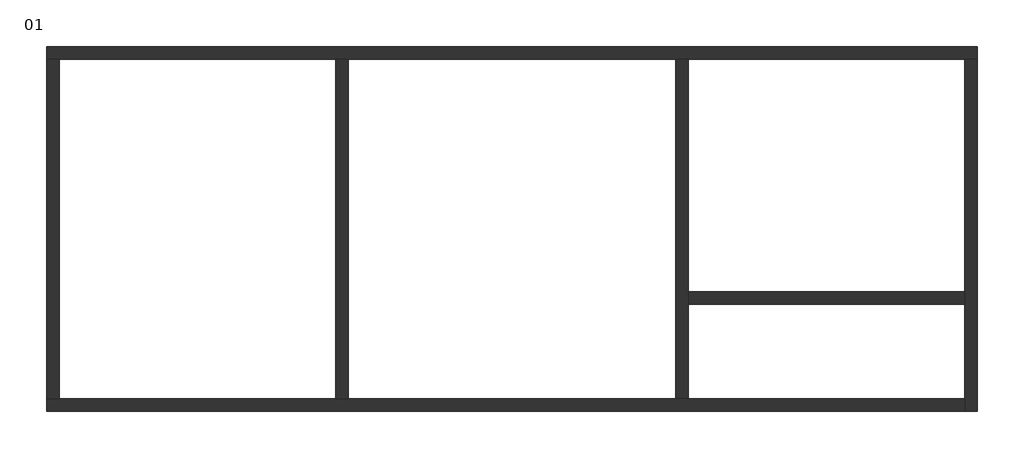
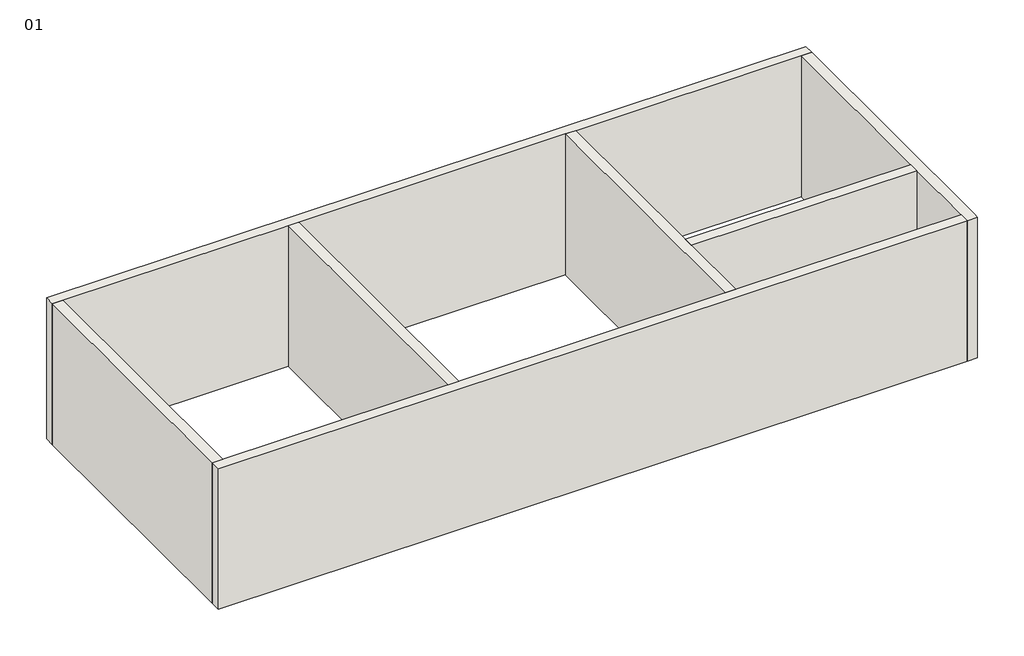
# One storey: 7 walls.
"""IFC4 building model written with IfcOpenShell, lengths in millimetres."""

from ifc_helpers import new_model, si_unit, frame, origin, place, context, project, spatial, polyline, outline, extrude, faceted_brep, element, save

model = new_model("IFC4")

# Units and contexts
model_context = context("Model", 3, world=origin())
ifc_project = project(units=[si_unit("LENGTHUNIT", "METRE", prefix="MILLI")], contexts=[model_context])

# Site, building, storey
site = spatial("IfcSite", under=ifc_project)
building = spatial("IfcBuilding", under=site)
storey = spatial("IfcBuildingStorey", under=building, Name="01", Elevation=2900.0)

# Walls
placement = place(None, origin())
element("IfcWall", 1, at=placement, inside=storey, context=model_context, shape_type="Brep", body=[
    faceted_brep([(5481.9743567, 17581.1656697, 2900.0), (5681.9743567, 17581.1656697, 2900.0), (10081.9743567, 17581.1656697, 2900.0), (10281.9743567, 17581.1656697, 2900.0), (15481.9743567, 17581.1656697, 2900.0), (15681.9743567, 17581.1656697, 2900.0), (20081.9743567, 17581.1656697, 2900.0), (20281.9743567, 17581.1656697, 2900.0), (20281.9743567, 17581.1656697, 5800.0), (20081.9743567, 17581.1656697, 5800.0), (15681.9743567, 17581.1656697, 5800.0), (15481.9743567, 17581.1656697, 5800.0), (10281.9743567, 17581.1656697, 5800.0), (10081.9743567, 17581.1656697, 5800.0), (5681.9743567, 17581.1656697, 5800.0), (5481.9743567, 17581.1656697, 5800.0), (5481.9743567, 17781.1656697, 2900.0), (5481.9743567, 17781.1656697, 5800.0), (20281.9743567, 17781.1656697, 5800.0), (20281.9743567, 17781.1656697, 2900.0)], [[[0, 1, 2, 3, 4, 5, 6, 7, 8, 9, 10, 11, 12, 13, 14, 15]], [[16, 17, 18, 19]], [[7, 6, 5, 4, 3, 2, 1, 0, 16, 19]], [[15, 14, 13, 12, 11, 10, 9, 8, 18, 17]], [[8, 7, 19, 18]], [[0, 15, 17, 16]]]),
])
element("IfcWall", 2, at=placement, inside=storey, context=model_context, shape_type="Brep", body=[
    faceted_brep([(20081.9743567, 17581.1656697, 2900.0), (20081.9743567, 13881.1656697, 2900.0), (20081.9743567, 13681.1656697, 2900.0), (20081.9743567, 12181.1656697, 2900.0), (20081.9743567, 11981.1656697, 2900.0), (20081.9743567, 11981.1656697, 5800.0), (20081.9743567, 12080.1656697, 5800.0), (20081.9743567, 12181.1656697, 5800.0), (20081.9743567, 13681.1656697, 5800.0), (20081.9743567, 13881.1656697, 5800.0), (20081.9743567, 17581.1656697, 5800.0), (20281.9743567, 17581.1656697, 2900.0), (20281.9743567, 17581.1656697, 5800.0), (20281.9743567, 12080.1656697, 5800.0), (20281.9743567, 11981.1656697, 5800.0), (20281.9743567, 11981.1656697, 2900.0)], [[[0, 1, 2, 3, 4, 5, 6, 7, 8, 9, 10]], [[11, 12, 13, 14, 15]], [[4, 3, 2, 1, 0, 11, 15]], [[10, 9, 8, 7, 6, 5, 14, 13, 12]], [[0, 10, 12, 11]], [[5, 4, 15, 14]]]),
])
element("IfcWall", 3, at=placement, inside=storey, context=model_context, shape_type="Brep", body=[
    faceted_brep([(20081.9743567, 12181.1656697, 2900.0), (15681.9743567, 12181.1656697, 2900.0), (15481.9743567, 12181.1656697, 2900.0), (10281.9743567, 12181.1656697, 2900.0), (10081.9743567, 12181.1656697, 2900.0), (5681.9743567, 12181.1656697, 2900.0), (5481.9743567, 12181.1656697, 2900.0), (5481.9743567, 12181.1656697, 5800.0), (5681.9743567, 12181.1656697, 5800.0), (10081.9743567, 12181.1656697, 5800.0), (10281.9743567, 12181.1656697, 5800.0), (15481.9743567, 12181.1656697, 5800.0), (15681.9743567, 12181.1656697, 5800.0), (20081.9743567, 12181.1656697, 5800.0), (20081.9743567, 11981.1656697, 2900.0), (20081.9743567, 11981.1656697, 5800.0), (5481.9743567, 11981.1656697, 5800.0), (5481.9743567, 11981.1656697, 2900.0), (5481.9743567, 12082.1656697, 5800.0), (5481.9743567, 12080.1656697, 5800.0), (20081.9743567, 12080.1656697, 5800.0), (20081.9743567, 12082.1656697, 5800.0)], [[[0, 1, 2, 3, 4, 5, 6, 7, 8, 9, 10, 11, 12, 13]], [[14, 15, 16, 17]], [[6, 5, 4, 3, 2, 1, 0, 14, 17]], [[13, 12, 11, 10, 9, 8, 7, 18, 19, 16, 15, 20, 21]], [[0, 13, 21, 20, 15, 14]], [[7, 6, 17, 16, 19, 18]]]),
])
element("IfcWall", 4, at=placement, inside=storey, context=model_context, shape_type="SweptSolid", body=[
    extrude(outline(polyline([(5681.9743567, 17581.1656697), (5681.9743567, 12181.1656697), (5481.9743567, 12181.1656697), (5481.9743567, 17581.1656697), (5681.9743567, 17581.1656697)])), frame((0.0, 0.0, 2900.0), z_axis=(0.0, 0.0, 1.0), x_axis=(1.0, 0.0, 0.0)), (0.0, 0.0, 1.0), 2900.0),
])
element("IfcWall", 5, at=placement, inside=storey, context=model_context, shape_type="SweptSolid", body=[
    extrude(outline(polyline([(10081.9743567, 12181.1656697), (10081.9743567, 17581.1656697), (10281.9743567, 17581.1656697), (10281.9743567, 12181.1656697), (10081.9743567, 12181.1656697)])), frame((0.0, 0.0, 2900.0), z_axis=(0.0, 0.0, 1.0), x_axis=(1.0, 0.0, 0.0)), (0.0, 0.0, 1.0), 2900.0),
])
element("IfcWall", 6, at=placement, inside=storey, context=model_context, shape_type="Brep", body=[
    faceted_brep([(15481.9743567, 17581.1656697, 2900.0), (15481.9743567, 12181.1656697, 2900.0), (15481.9743567, 12181.1656697, 5800.0), (15481.9743567, 17581.1656697, 5800.0), (15681.9743567, 17581.1656697, 2900.0), (15681.9743567, 17581.1656697, 5800.0), (15681.9743567, 13881.1656697, 5800.0), (15681.9743567, 13681.1656697, 5800.0), (15681.9743567, 12181.1656697, 5800.0), (15681.9743567, 12181.1656697, 2900.0), (15681.9743567, 13681.1656697, 2900.0), (15681.9743567, 13881.1656697, 2900.0)], [[[0, 1, 2, 3]], [[4, 5, 6, 7, 8, 9, 10, 11]], [[1, 0, 4, 11, 10, 9]], [[3, 2, 8, 7, 6, 5]], [[0, 3, 5, 4]], [[2, 1, 9, 8]]]),
])
element("IfcWall", 7, at=placement, inside=storey, context=model_context, shape_type="SweptSolid", body=[
    extrude(outline(polyline([(20081.9743567, 13681.1656697), (15681.9743567, 13681.1656697), (15681.9743567, 13881.1656697), (20081.9743567, 13881.1656697), (20081.9743567, 13681.1656697)])), frame((0.0, 0.0, 2900.0), z_axis=(0.0, 0.0, 1.0), x_axis=(1.0, 0.0, 0.0)), (0.0, 0.0, 1.0), 2900.0),
])

save(model, "model.ifc")
